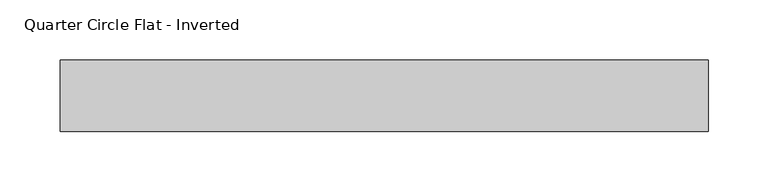
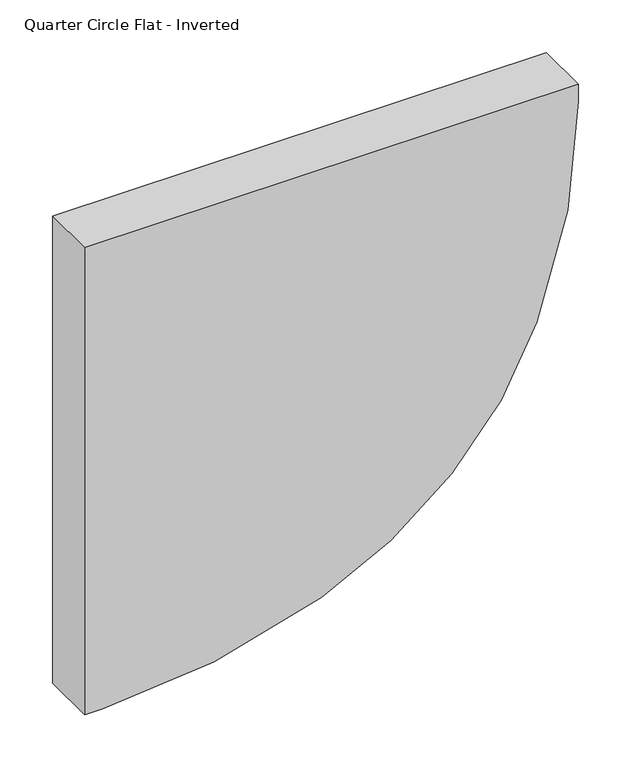
"""IFC4 building model written with IfcOpenShell, lengths in millimetres: furniture geometry, Quarter Circle Flat - Inverted."""

from ifc_helpers import new_model, si_unit, point, frame, frame_2d, origin, place, context, project, spatial, polyline, circle_curve, trimmed, segment, composite_curve, outline, extrude, source, transform, mapped, element, save


def quarter_circle_flat_inverted_7ac5c036(model_context):
    return source(origin(), model_context, "Body", "SweptSolid", [
        extrude(outline(composite_curve([segment(polyline([(1500.0, -270.0), (1500.0, -250.2887948)]), True, "CONTINUOUS"), segment(trimmed(circle_curve(frame_2d((2159.9652032, -250.2887948)), 659.9652032), [point((1500.0, -250.2887948))], [point((1545.0644581, -10.5991139))], False, "CARTESIAN"), True, "CONTINUOUS"), segment(trimmed(circle_curve(frame_2d((1931.0616985, -161.0616985)), 414.2859628), [point((1545.0644581, -10.5991139))], [point((1780.5991139, 224.9355419))], False, "CARTESIAN"), True, "CONTINUOUS"), segment(trimmed(circle_curve(frame_2d((2020.2887948, -389.9652032)), 659.9652032), [point((1780.5991139, 224.9355419))], [point((2020.2887948, 270.0))], False, "CARTESIAN"), True, "CONTINUOUS"), segment(polyline([(2020.2887948, 270.0), (2040.0, 270.0), (2040.0, -270.0), (1500.0, -270.0)]), True, "CONTINUOUS")], self_intersect=False)), frame((0.0, 0.0, 0.0), z_axis=(0.0, 1.0, 0.0), x_axis=(0.0, 0.0, 1.0)), (0.0, 0.0, 1.0), 60.0),
    ])


if __name__ == "__main__":
    model = new_model("IFC4")
    model_context = context("Model", 3, world=origin())
    ifc_project = project(units=[si_unit("LENGTHUNIT", "METRE", prefix="MILLI")], contexts=[model_context])
    site = spatial("IfcSite", under=ifc_project)
    building = spatial("IfcBuilding", under=site)
    placement = place(None, origin())
    quarter_circle_flat_inverted_shape = quarter_circle_flat_inverted_7ac5c036(model_context)
    element("IfcFurniture", 1, ObjectType="Quarter Circle Flat - Inverted", at=placement, inside=building, context=model_context, shape_type="MappedRepresentation", body=[
        mapped(quarter_circle_flat_inverted_shape, transform((0.0, 0.0, 0.0), x_axis=(1.0, 0.0, 0.0), y_axis=(0.0, 1.0, 0.0), z_axis=(0.0, 0.0, 1.0))),
    ])
    save(model, "model.ifc")
